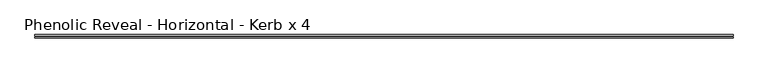
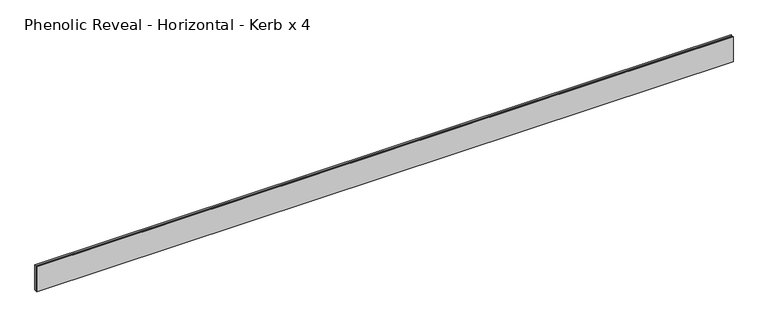
"""IFC4 building model written with IfcOpenShell, lengths in millimetres: proxy geometry, Phenolic Reveal - Horizontal - Kerb x 4."""

from ifc_helpers import new_model, si_unit, origin, place, context, project, spatial, faceted_brep, source, transform, mapped, element, save


def phenolic_reveal_horizontal_kerb_x_4_0457b777(model_context):
    return source(origin(), model_context, "Body", "Brep", [
        faceted_brep([(2013.9421875, 9.525, 76.2), (2013.9421875, 6.0765851, 76.2), (2013.9421875, 6.0765851, 0.0), (2013.9421875, 9.525, 0.0), (2013.9421875, 3.3757545, 0.0), (2013.9421875, 3.3757545, 76.2), (2013.9421875, 0.0, 76.2), (2013.9421875, 0.0, 0.0), (0.0, 9.525, 76.2), (0.0, 9.525, 0.0), (0.0, 6.0765851, 0.0), (0.0, 6.0765851, 76.2), (0.0, 3.3757545, 76.2), (0.0, 3.3757545, 0.0), (0.0, 0.0, 0.0), (0.0, 0.0, 76.2), (2002.8296875, 6.0765851, 65.3591015), (2002.8296875, 6.0765851, 10.8408985), (11.1125, 6.0765851, 10.8408985), (11.1125, 6.0765851, 65.3591015), (11.1125, 3.3757545, 65.3591015), (2002.8296875, 3.3757545, 65.3591015), (11.1125, 3.3757545, 10.8408985), (2002.8296875, 3.3757545, 10.8408985)], [[[0, 1, 2, 3]], [[4, 5, 6, 7]], [[8, 9, 10, 11]], [[12, 13, 14, 15]], [[11, 1, 0, 8]], [[2, 1, 11, 10], [16, 17, 18, 19]], [[16, 19, 20, 21]], [[5, 4, 13, 12], [20, 22, 23, 21]], [[6, 5, 12, 15]], [[7, 6, 15, 14]], [[13, 4, 7, 14]], [[23, 22, 18, 17]], [[3, 2, 10, 9]], [[0, 3, 9, 8]], [[21, 23, 17, 16]], [[22, 20, 19, 18]]]),
    ])


if __name__ == "__main__":
    model = new_model("IFC4")
    model_context = context("Model", 3, world=origin())
    ifc_project = project(units=[si_unit("LENGTHUNIT", "METRE", prefix="MILLI")], contexts=[model_context])
    site = spatial("IfcSite", under=ifc_project)
    building = spatial("IfcBuilding", under=site)
    placement = place(None, origin())
    phenolic_reveal_horizontal_kerb_x_4_shape = phenolic_reveal_horizontal_kerb_x_4_0457b777(model_context)
    element("IfcBuildingElementProxy", 1, Name="Phenolic Reveal - Horizontal - Kerb x 4", ObjectType="Phenolic Reveal - Horizontal - Kerb x 4", at=placement, inside=building, context=model_context, shape_type="MappedRepresentation", body=[
        mapped(phenolic_reveal_horizontal_kerb_x_4_shape, transform((0.0, 0.0, 0.0), x_axis=(1.0, 0.0, 0.0), y_axis=(0.0, 1.0, 0.0), z_axis=(0.0, 0.0, 1.0))),
    ])
    save(model, "model.ifc")
